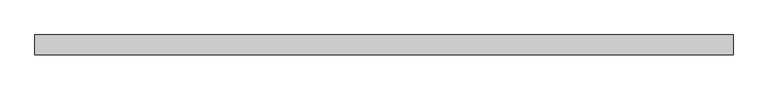
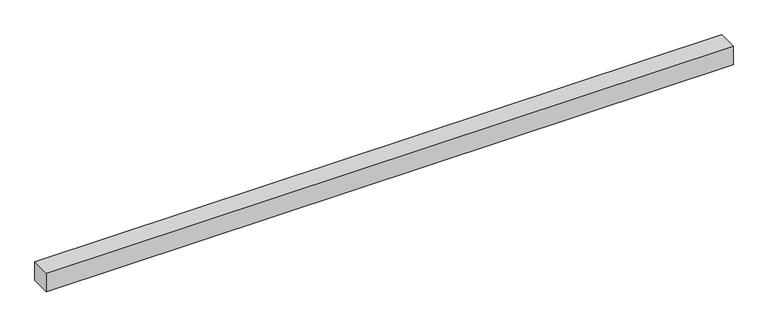
"""IFC4 building model written with IfcOpenShell, lengths in millimetres: beam geometry."""

from ifc_helpers import new_model, si_unit, frame, origin, place, context, project, spatial, polyline, outline, extrude, source, transform, mapped, element, save


def beam_ef8649ee(model_context):
    return source(origin(), model_context, "Body", "SweptSolid", [
        extrude(outline(polyline([(6050.0, 75.0), (6050.0, -75.0), (800.0, -75.0), (800.0, 75.0), (6050.0, 75.0)])), frame((0.0, 0.0, -75.0), z_axis=(0.0, 0.0, 1.0), x_axis=(1.0, 0.0, 0.0)), (0.0, 0.0, 1.0), 150.0),
    ])


if __name__ == "__main__":
    model = new_model("IFC4")
    model_context = context("Model", 3, world=origin())
    ifc_project = project(units=[si_unit("LENGTHUNIT", "METRE", prefix="MILLI")], contexts=[model_context])
    site = spatial("IfcSite", under=ifc_project)
    building = spatial("IfcBuilding", under=site)
    placement = place(None, origin())
    beam_shape = beam_ef8649ee(model_context)
    element("IfcBeam", 1, at=placement, inside=building, context=model_context, shape_type="MappedRepresentation", body=[
        mapped(beam_shape, transform((0.0, 0.0, 0.0), x_axis=(1.0, 0.0, 0.0), y_axis=(0.0, 1.0, 0.0), z_axis=(0.0, 0.0, 1.0))),
    ])
    save(model, "model.ifc")
